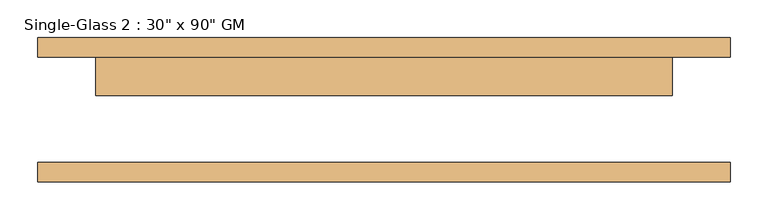
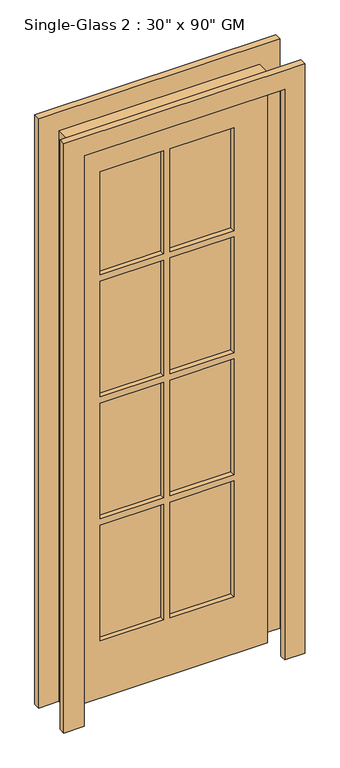
"""IFC4 building model written with IfcOpenShell, lengths in millimetres: door geometry."""

from ifc_helpers import new_model, si_unit, frame, origin, place, context, project, spatial, polyline, outline, extrude, source, transform, mapped, element, save


def door_48efdbfd(model_context):
    return source(origin(), model_context, "Body", "SweptSolid", [
        extrude(outline(polyline([(2362.2, 482.6), (2362.2, -431.8), (0.0, -431.8), (0.0, -355.6), (2286.0, -355.6), (2286.0, 406.4), (0.0, 406.4), (0.0, 482.6), (2362.2, 482.6)])), frame((0.0, -95.25, 0.0), z_axis=(0.0, 1.0, 0.0), x_axis=(0.0, 0.0, 1.0)), (0.0, 0.0, 1.0), 25.4),
        extrude(outline(polyline([(2362.2, -431.8), (0.0, -431.8), (0.0, -355.6), (2286.0, -355.6), (2286.0, 406.4), (0.0, 406.4), (0.0, 482.6), (2362.2, 482.6), (2362.2, -431.8)])), frame((0.0, 69.85, 0.0), z_axis=(0.0, 1.0, 0.0), x_axis=(0.0, 0.0, 1.0)), (0.0, 0.0, 1.0), 25.4),
        extrude(outline(polyline([(2286.0, 406.4), (2286.0, -355.6), (0.0, -355.6), (0.0, 406.4), (2286.0, 406.4)]), holes=[polyline([(2108.2, 12.7), (1695.45, 12.7), (1695.45, -228.6), (2108.2, -228.6), (2108.2, 12.7)]), polyline([(2108.2, 279.4), (1695.45, 279.4), (1695.45, 38.1), (2108.2, 38.1), (2108.2, 279.4)]), polyline([(1670.05, 12.7), (1206.5, 12.7), (1206.5, -228.6), (1670.05, -228.6), (1670.05, 12.7)]), polyline([(1670.05, 279.4), (1206.5, 279.4), (1206.5, 38.1), (1670.05, 38.1), (1670.05, 279.4)]), polyline([(1181.1, 12.7), (717.55, 12.7), (717.55, -228.6), (1181.1, -228.6), (1181.1, 12.7)]), polyline([(1181.1, 279.4), (717.55, 279.4), (717.55, 38.1), (1181.1, 38.1), (1181.1, 279.4)]), polyline([(692.15, 12.7), (228.6, 12.7), (228.6, -228.6), (692.15, -228.6), (692.15, 12.7)]), polyline([(692.15, 279.4), (228.6, 279.4), (228.6, 38.1), (692.15, 38.1), (692.15, 279.4)])]), frame((0.0, 19.05, 0.0), z_axis=(0.0, 1.0, 0.0), x_axis=(0.0, 0.0, 1.0)), (0.0, 0.0, 1.0), 50.8),
        extrude(outline(polyline([(12.7, 38.1), (-228.6, 38.1), (-228.6, 50.8), (12.7, 50.8), (12.7, 38.1)])), frame((0.0, 0.0, 1695.45), z_axis=(0.0, 0.0, 1.0), x_axis=(1.0, 0.0, 0.0)), (0.0, 0.0, 1.0), 412.75),
        extrude(outline(polyline([(279.4, 38.1), (38.1, 38.1), (38.1, 50.8), (279.4, 50.8), (279.4, 38.1)])), frame((0.0, 0.0, 1695.45), z_axis=(0.0, 0.0, 1.0), x_axis=(1.0, 0.0, 0.0)), (0.0, 0.0, 1.0), 412.75),
        extrude(outline(polyline([(279.4, 38.1), (38.1, 38.1), (38.1, 50.8), (279.4, 50.8), (279.4, 38.1)])), frame((0.0, 0.0, 1206.5), z_axis=(0.0, 0.0, 1.0), x_axis=(1.0, 0.0, 0.0)), (0.0, 0.0, 1.0), 463.55),
        extrude(outline(polyline([(12.7, 38.1), (-228.6, 38.1), (-228.6, 50.8), (12.7, 50.8), (12.7, 38.1)])), frame((0.0, 0.0, 1206.5), z_axis=(0.0, 0.0, 1.0), x_axis=(1.0, 0.0, 0.0)), (0.0, 0.0, 1.0), 463.55),
        extrude(outline(polyline([(12.7, 38.1), (-228.6, 38.1), (-228.6, 50.8), (12.7, 50.8), (12.7, 38.1)])), frame((0.0, 0.0, 717.55), z_axis=(0.0, 0.0, 1.0), x_axis=(1.0, 0.0, 0.0)), (0.0, 0.0, 1.0), 463.55),
        extrude(outline(polyline([(279.4, 38.1), (38.1, 38.1), (38.1, 50.8), (279.4, 50.8), (279.4, 38.1)])), frame((0.0, 0.0, 717.55), z_axis=(0.0, 0.0, 1.0), x_axis=(1.0, 0.0, 0.0)), (0.0, 0.0, 1.0), 463.55),
        extrude(outline(polyline([(279.4, 38.1), (38.1, 38.1), (38.1, 50.8), (279.4, 50.8), (279.4, 38.1)])), frame((0.0, 0.0, 228.6), z_axis=(0.0, 0.0, 1.0), x_axis=(1.0, 0.0, 0.0)), (0.0, 0.0, 1.0), 463.55),
        extrude(outline(polyline([(12.7, 38.1), (-228.6, 38.1), (-228.6, 50.8), (12.7, 50.8), (12.7, 38.1)])), frame((0.0, 0.0, 228.6), z_axis=(0.0, 0.0, 1.0), x_axis=(1.0, 0.0, 0.0)), (0.0, 0.0, 1.0), 463.55),
    ])


if __name__ == "__main__":
    model = new_model("IFC4")
    model_context = context("Model", 3, world=origin())
    ifc_project = project(units=[si_unit("LENGTHUNIT", "METRE", prefix="MILLI")], contexts=[model_context])
    site = spatial("IfcSite", under=ifc_project)
    building = spatial("IfcBuilding", under=site)
    placement = place(None, origin())
    door_shape = door_48efdbfd(model_context)
    element("IfcDoor", 1, ObjectType="Single-Glass 2 : 30\" x 90\" GM", at=placement, inside=building, context=model_context, shape_type="MappedRepresentation", body=[
        mapped(door_shape, transform((0.0, 0.0, 0.0), x_axis=(1.0, 0.0, 0.0), y_axis=(0.0, 1.0, 0.0), z_axis=(0.0, 0.0, 1.0))),
    ])
    save(model, "model.ifc")
